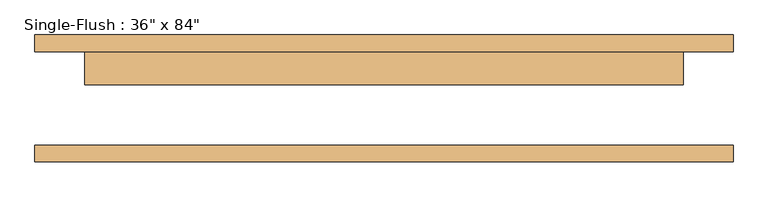
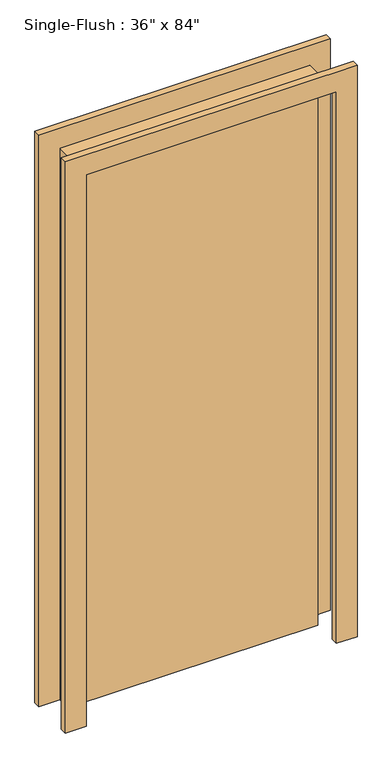
"""IFC4 building model written with IfcOpenShell, lengths in millimetres: door geometry."""

from ifc_helpers import new_model, si_unit, frame, origin, origin_with_axes, place, context, project, spatial, polyline, outline, extrude, source, transform, mapped, element, save


def door_3dff5d0e(model_context):
    return source(origin(), model_context, "Body", "SweptSolid", [
        extrude(outline(polyline([(2209.8, -533.4), (0.0, -533.4), (0.0, -457.2), (2133.6, -457.2), (2133.6, 457.2), (0.0, 457.2), (0.0, 533.4), (2209.8, 533.4), (2209.8, -533.4)])), frame((0.0, 71.4375, 0.0), z_axis=(0.0, 1.0, 0.0), x_axis=(0.0, 0.0, 1.0)), (0.0, 0.0, 1.0), 25.4),
        extrude(outline(polyline([(2209.8, 533.4), (2209.8, -533.4), (0.0, -533.4), (0.0, -457.2), (2133.6, -457.2), (2133.6, 457.2), (0.0, 457.2), (0.0, 533.4), (2209.8, 533.4)])), frame((0.0, -96.8375, 0.0), z_axis=(0.0, 1.0, 0.0), x_axis=(0.0, 0.0, 1.0)), (0.0, 0.0, 1.0), 25.4),
        extrude(outline(polyline([(457.2, 20.6375), (-457.2, 20.6375), (-457.2, 71.4375), (457.2, 71.4375), (457.2, 20.6375)])), origin_with_axes(), (0.0, 0.0, 1.0), 2133.6),
    ])


if __name__ == "__main__":
    model = new_model("IFC4")
    model_context = context("Model", 3, world=origin())
    ifc_project = project(units=[si_unit("LENGTHUNIT", "METRE", prefix="MILLI")], contexts=[model_context])
    site = spatial("IfcSite", under=ifc_project)
    building = spatial("IfcBuilding", under=site)
    placement = place(None, origin())
    door_shape = door_3dff5d0e(model_context)
    element("IfcDoor", 1, ObjectType="Single-Flush : 36\" x 84\"", at=placement, inside=building, context=model_context, shape_type="MappedRepresentation", body=[
        mapped(door_shape, transform((0.0, 0.0, 0.0), x_axis=(1.0, 0.0, 0.0), y_axis=(0.0, 1.0, 0.0), z_axis=(0.0, 0.0, 1.0))),
    ])
    save(model, "model.ifc")
